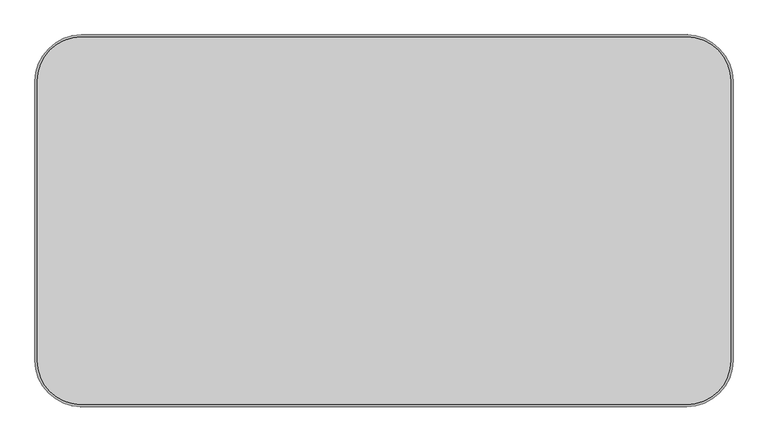
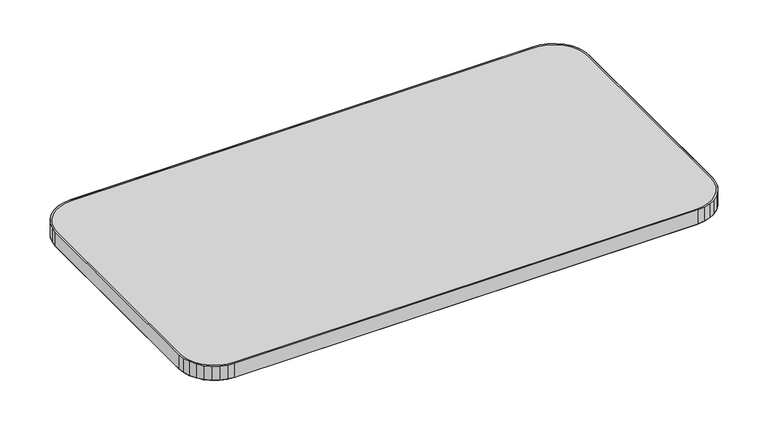
"""IFC4 building model written with IfcOpenShell, lengths in millimetres: furniture geometry."""

from ifc_helpers import new_model, si_unit, origin, place, context, project, spatial, triangles, source, transform, mapped, element, save


def furniture_d0a86501(model_context):
    return source(origin(), model_context, "Body", "Tessellation", [
        triangles([(88.899997, 0.0, 0.0), (1079.5000242, 0.0, 0.0), (1079.5000242, 0.0, -31.7499992), (88.899997, 0.0, -31.7499992), (12.7000004, -76.2, -31.7499992), (12.7000004, -533.4, -31.7499992), (12.7000004, -533.4, 0.0), (12.7000004, -76.2, 0.0), (1155.7000242, -533.4, 0.0), (1155.7000242, -76.2, 0.0), (1155.7000242, -76.2, -31.7499992), (1155.7000242, -533.4, -31.7499992), (15.8749996, -533.4, 0.0), (15.8749996, -76.2, 0.0), (1152.525, -533.4, 0.0), (1152.525, -76.2, 0.0), (1079.5000242, -3.1750001, 0.0), (88.899997, -3.1750001, 0.0), (15.8749996, -533.4, -31.7499992), (15.8749996, -76.2, -31.7499992), (1152.525, -533.4, -31.7499992), (1152.525, -76.2, -31.7499992), (1079.5000242, -3.1750001, -31.7499992), (88.899997, -3.1750001, -31.7499992), (14.164162, -61.3341196, 0.0), (17.2781548, -61.9535313, 0.0), (18.5003799, -47.0395207, 0.0), (21.4336981, -48.2545446, 0.0), (25.5420161, -33.8655473, 0.0), (28.1819326, -35.629484, 0.0), (35.0184634, -22.3184642, 0.0), (37.2635276, -24.5635284, 0.0), (46.5655489, -12.8420157, 0.0), (48.3294855, -15.4819311, 0.0), (59.7395222, -5.8003795, 0.0), (60.9545416, -8.7336971, 0.0), (74.0341166, -1.4641616, 0.0), (74.6535283, -4.578155, 0.0), (74.0341166, -1.4641616, -31.7499992), (74.6535283, -4.578155, -31.7499992), (59.7395222, -5.8003795, -31.7499992), (60.9545416, -8.7336971, -31.7499992), (46.5655489, -12.8420157, -31.7499992), (48.3294855, -15.4819311, -31.7499992), (35.0184634, -22.3184642, -31.7499992), (37.2635276, -24.5635284, -31.7499992), (25.5420161, -33.8655473, -31.7499992), (28.1819326, -35.629484, -31.7499992), (18.5003799, -47.0395207, -31.7499992), (21.4336981, -48.2545446, -31.7499992), (14.164162, -61.3341196, -31.7499992), (17.2781548, -61.9535313, -31.7499992), (1094.3659046, -1.4641616, 0.0), (1093.7464657, -4.578155, 0.0), (1108.6604536, -5.8003795, 0.0), (1107.4454842, -8.7336971, 0.0), (1121.8344315, -12.8420157, 0.0), (1120.070513, -15.4819311, 0.0), (1133.3815464, -22.3184642, 0.0), (1131.1364799, -24.5635284, 0.0), (1142.8580029, -33.8655473, 0.0), (1140.2180477, -35.629484, 0.0), (1149.8996515, -47.0395207, 0.0), (1146.9663277, -48.2545446, 0.0), (1154.2358694, -61.3341196, 0.0), (1151.1218153, -61.9535313, 0.0), (1154.2358694, -61.3341196, -31.7499992), (1151.1218153, -61.9535313, -31.7499992), (1149.8996515, -47.0395207, -31.7499992), (1146.9663277, -48.2545446, -31.7499992), (1142.8580029, -33.8655473, -31.7499992), (1140.2180477, -35.629484, -31.7499992), (1133.3815464, -22.3184642, -31.7499992), (1131.1364799, -24.5635284, -31.7499992), (1121.8344315, -12.8420157, -31.7499992), (1120.070513, -15.4819311, -31.7499992), (1108.6604536, -5.8003795, -31.7499992), (1107.4454842, -8.7336971, -31.7499992), (1094.3659046, -1.4641616, -31.7499992), (1093.7464657, -4.578155, -31.7499992), (1079.5000242, -609.6, 0.0), (88.899997, -609.6, 0.0), (88.899997, -609.6, -31.7499992), (1079.5000242, -609.6, -31.7499992), (88.899997, -606.4250121, 0.0), (1079.5000242, -606.4250121, 0.0), (88.899997, -606.4250121, -31.7499992), (1079.5000242, -606.4250121, -31.7499992), (1154.2358694, -548.2658804, 0.0), (1151.1218153, -547.6464778, 0.0), (1149.8996515, -562.5604657, 0.0), (1146.9663277, -561.3454599, 0.0), (1142.8580029, -575.7344436, 0.0), (1140.2180477, -573.9705251, 0.0), (1133.3815464, -587.2815222, 0.0), (1131.1364799, -585.0364557, 0.0), (1121.8344315, -596.7579786, 0.0), (1120.070513, -594.1180598, 0.0), (1108.6604536, -603.7996273, 0.0), (1107.4454842, -600.8663034, 0.0), (1094.3659046, -608.1358452, 0.0), (1093.7464657, -605.0218274, 0.0), (1094.3659046, -608.1358452, -31.7499992), (1093.7464657, -605.0218274, -31.7499992), (1108.6604536, -603.7996273, -31.7499992), (1107.4454842, -600.8663034, -31.7499992), (1121.8344315, -596.7579786, -31.7499992), (1120.070513, -594.1180598, -31.7499992), (1133.3815464, -587.2815222, -31.7499992), (1131.1364799, -585.0364557, -31.7499992), (1142.8580029, -575.7344436, -31.7499992), (1140.2180477, -573.9705251, -31.7499992), (1149.8996515, -562.5604657, -31.7499992), (1146.9663277, -561.3454599, -31.7499992), (1154.2358694, -548.2658804, -31.7499992), (1151.1218153, -547.6464778, -31.7499992), (74.0341166, -608.1358452, 0.0), (74.6535283, -605.0218274, 0.0), (59.7395222, -603.7996273, 0.0), (60.9545416, -600.8663034, 0.0), (46.5655489, -596.7579786, 0.0), (48.3294855, -594.1180598, 0.0), (35.0184634, -587.2815222, 0.0), (37.2635276, -585.0364557, 0.0), (25.5420161, -575.7344436, 0.0), (28.1819326, -573.9705251, 0.0), (18.5003799, -562.5604657, 0.0), (21.4336981, -561.3454599, 0.0), (14.164162, -548.2658804, 0.0), (17.2781548, -547.6464778, 0.0), (14.164162, -548.2658804, -31.7499992), (17.2781548, -547.6464778, -31.7499992), (18.5003799, -562.5604657, -31.7499992), (21.4336981, -561.3454599, -31.7499992), (25.5420161, -575.7344436, -31.7499992), (28.1819326, -573.9705251, -31.7499992), (35.0184634, -587.2815222, -31.7499992), (37.2635276, -585.0364557, -31.7499992), (46.5655489, -596.7579786, -31.7499992), (48.3294855, -594.1180598, -31.7499992), (59.7395222, -603.7996273, -31.7499992), (60.9545416, -600.8663034, -31.7499992), (74.0341166, -608.1358452, -31.7499992), (74.6535283, -605.0218274, -31.7499992)], [[1, 2, 3], [1, 3, 4], [5, 6, 7], [5, 7, 8], [9, 10, 11], [9, 11, 12], [13, 14, 8], [13, 8, 7], [15, 9, 10], [15, 10, 16], [17, 2, 1], [17, 1, 18], [19, 20, 5], [19, 5, 6], [21, 12, 11], [21, 11, 22], [23, 3, 4], [23, 4, 24], [25, 8, 14], [25, 14, 26], [27, 25, 26], [27, 26, 28], [29, 27, 28], [29, 28, 30], [31, 29, 30], [31, 30, 32], [33, 31, 32], [33, 32, 34], [35, 33, 34], [35, 34, 36], [37, 35, 36], [37, 36, 38], [1, 37, 18], [37, 38, 18], [39, 4, 24], [39, 24, 40], [41, 39, 40], [41, 40, 42], [43, 41, 42], [43, 42, 44], [45, 43, 44], [45, 44, 46], [47, 45, 46], [47, 46, 48], [49, 47, 48], [49, 48, 50], [51, 49, 50], [51, 50, 52], [5, 51, 52], [5, 52, 20], [53, 2, 17], [53, 17, 54], [55, 53, 54], [55, 54, 56], [57, 55, 56], [57, 56, 58], [59, 57, 58], [59, 58, 60], [61, 59, 60], [61, 60, 62], [63, 61, 62], [63, 62, 64], [65, 63, 64], [65, 64, 66], [10, 65, 66], [10, 66, 16], [67, 11, 68], [11, 22, 68], [69, 67, 70], [67, 68, 70], [71, 69, 72], [69, 70, 72], [73, 71, 74], [71, 72, 74], [75, 73, 76], [73, 74, 76], [77, 75, 78], [75, 76, 78], [79, 77, 80], [77, 78, 80], [3, 79, 80], [3, 80, 23], [4, 39, 37], [4, 37, 1], [39, 41, 35], [39, 35, 37], [41, 43, 33], [41, 33, 35], [43, 45, 31], [43, 31, 33], [45, 47, 29], [45, 29, 31], [47, 49, 29], [49, 27, 29], [49, 51, 25], [49, 25, 27], [51, 5, 8], [51, 8, 25], [11, 67, 65], [11, 65, 10], [67, 69, 63], [67, 63, 65], [69, 71, 61], [69, 61, 63], [71, 73, 59], [71, 59, 61], [73, 75, 57], [73, 57, 59], [75, 77, 55], [75, 55, 57], [77, 79, 53], [77, 53, 55], [79, 3, 2], [79, 2, 53], [81, 82, 83], [81, 83, 84], [85, 82, 81], [85, 81, 86], [87, 83, 84], [87, 84, 88], [89, 9, 15], [89, 15, 90], [91, 89, 90], [91, 90, 92], [93, 91, 92], [93, 92, 94], [95, 93, 96], [93, 94, 96], [97, 95, 98], [95, 96, 98], [99, 97, 100], [97, 98, 100], [101, 99, 102], [99, 100, 102], [81, 101, 86], [101, 102, 86], [103, 84, 88], [103, 88, 104], [105, 103, 104], [105, 104, 106], [107, 105, 106], [107, 106, 108], [109, 107, 108], [109, 108, 110], [111, 109, 110], [111, 110, 112], [113, 111, 112], [113, 112, 114], [115, 113, 116], [113, 114, 116], [12, 115, 21], [115, 116, 21], [117, 82, 118], [82, 85, 118], [119, 117, 120], [117, 118, 120], [121, 119, 122], [119, 120, 122], [123, 121, 124], [121, 122, 124], [125, 123, 126], [123, 124, 126], [127, 125, 128], [125, 126, 128], [129, 127, 130], [127, 128, 130], [7, 129, 130], [7, 130, 13], [131, 6, 19], [131, 19, 132], [133, 131, 132], [133, 132, 134], [135, 133, 134], [135, 134, 136], [137, 135, 136], [137, 136, 138], [139, 137, 138], [139, 138, 140], [141, 139, 140], [141, 140, 142], [143, 141, 142], [143, 142, 144], [83, 143, 144], [83, 144, 87], [84, 103, 101], [84, 101, 81], [103, 105, 99], [103, 99, 101], [105, 107, 97], [105, 97, 99], [107, 109, 95], [107, 95, 97], [109, 111, 93], [109, 93, 95], [111, 113, 91], [111, 91, 93], [113, 115, 89], [113, 89, 91], [115, 12, 9], [115, 9, 89], [6, 131, 129], [6, 129, 7], [131, 133, 127], [131, 127, 129], [133, 135, 125], [133, 125, 127], [135, 137, 123], [135, 123, 125], [137, 139, 121], [137, 121, 123], [139, 141, 119], [139, 119, 121], [141, 143, 117], [141, 117, 119], [143, 83, 82], [143, 82, 117]], closed=False),
        triangles([(15.8749996, -533.4, 0.0), (1152.525, -533.4, 0.0), (1152.525, -76.2, 0.0), (15.8749996, -76.2, 0.0), (15.8749996, -533.4, -31.7499992), (1152.525, -533.4, -31.7499992), (1152.525, -76.2, -31.7499992), (15.8749996, -76.2, -31.7499992), (17.2781548, -61.9535313, 0.0), (1151.1218153, -61.9535313, 0.0), (21.4336981, -48.2545446, 0.0), (1146.9663277, -48.2545446, 0.0), (28.1819326, -35.629484, 0.0), (1140.2180477, -35.629484, 0.0), (37.2635276, -24.5635284, 0.0), (1131.1364799, -24.5635284, 0.0), (48.3294855, -15.4819311, 0.0), (1120.070513, -15.4819311, 0.0), (60.9545416, -8.7336971, 0.0), (1107.4454842, -8.7336971, 0.0), (74.6535283, -4.578155, 0.0), (1093.7464657, -4.578155, 0.0), (88.899997, -3.1750001, 0.0), (1079.5000242, -3.1750001, 0.0), (1151.1218153, -61.9535313, -31.7499992), (17.2781548, -61.9535313, -31.7499992), (1146.9663277, -48.2545446, -31.7499992), (21.4336981, -48.2545446, -31.7499992), (1140.2180477, -35.629484, -31.7499992), (28.1819326, -35.629484, -31.7499992), (1131.1364799, -24.5635284, -31.7499992), (37.2635276, -24.5635284, -31.7499992), (1120.070513, -15.4819311, -31.7499992), (48.3294855, -15.4819311, -31.7499992), (1107.4454842, -8.7336971, -31.7499992), (60.9545416, -8.7336971, -31.7499992), (1093.7464657, -4.578155, -31.7499992), (74.6535283, -4.578155, -31.7499992), (1079.5000242, -3.1750001, -31.7499992), (88.899997, -3.1750001, -31.7499992), (1151.1218153, -547.6464778, 0.0), (17.2781548, -547.6464778, 0.0), (1146.9663277, -561.3454599, 0.0), (21.4336981, -561.3454599, 0.0), (1140.2180477, -573.9705251, 0.0), (28.1819326, -573.9705251, 0.0), (1131.1364799, -585.0364557, 0.0), (37.2635276, -585.0364557, 0.0), (1120.070513, -594.1180598, 0.0), (48.3294855, -594.1180598, 0.0), (1107.4454842, -600.8663034, 0.0), (60.9545416, -600.8663034, 0.0), (1093.7464657, -605.0218274, 0.0), (74.6535283, -605.0218274, 0.0), (1079.5000242, -606.4250121, 0.0), (88.899997, -606.4250121, 0.0), (17.2781548, -547.6464778, -31.7499992), (1151.1218153, -547.6464778, -31.7499992), (21.4336981, -561.3454599, -31.7499992), (1146.9663277, -561.3454599, -31.7499992), (28.1819326, -573.9705251, -31.7499992), (1140.2180477, -573.9705251, -31.7499992), (37.2635276, -585.0364557, -31.7499992), (1131.1364799, -585.0364557, -31.7499992), (48.3294855, -594.1180598, -31.7499992), (1120.070513, -594.1180598, -31.7499992), (60.9545416, -600.8663034, -31.7499992), (1107.4454842, -600.8663034, -31.7499992), (74.6535283, -605.0218274, -31.7499992), (1093.7464657, -605.0218274, -31.7499992), (88.899997, -606.4250121, -31.7499992), (1079.5000242, -606.4250121, -31.7499992)], [[1, 2, 3], [1, 3, 4], [5, 6, 7], [5, 7, 8], [9, 4, 3], [9, 3, 10], [11, 9, 10], [11, 10, 12], [13, 11, 12], [13, 12, 14], [15, 13, 14], [15, 14, 16], [17, 15, 16], [17, 16, 18], [19, 17, 18], [19, 18, 20], [21, 19, 20], [21, 20, 22], [23, 21, 22], [23, 22, 24], [25, 7, 8], [25, 8, 26], [27, 25, 26], [27, 26, 28], [29, 27, 28], [29, 28, 30], [31, 29, 30], [31, 30, 32], [33, 31, 34], [31, 32, 34], [35, 33, 36], [33, 34, 36], [37, 35, 38], [35, 36, 38], [39, 37, 38], [39, 38, 40], [41, 2, 1], [41, 1, 42], [43, 41, 42], [43, 42, 44], [45, 43, 44], [45, 44, 46], [47, 45, 46], [47, 46, 48], [49, 47, 48], [49, 48, 50], [51, 49, 50], [51, 50, 52], [53, 51, 52], [53, 52, 54], [55, 53, 56], [53, 54, 56], [57, 5, 6], [57, 6, 58], [59, 57, 58], [59, 58, 60], [61, 59, 60], [61, 60, 62], [63, 61, 62], [63, 62, 64], [65, 63, 64], [65, 64, 66], [67, 65, 68], [65, 66, 68], [69, 67, 70], [67, 68, 70], [71, 69, 72], [69, 70, 72]], closed=False),
    ])


if __name__ == "__main__":
    model = new_model("IFC4")
    model_context = context("Model", 3, world=origin())
    ifc_project = project(units=[si_unit("LENGTHUNIT", "METRE", prefix="MILLI")], contexts=[model_context])
    site = spatial("IfcSite", under=ifc_project)
    building = spatial("IfcBuilding", under=site)
    placement = place(None, origin())
    furniture_shape = furniture_d0a86501(model_context)
    element("IfcFurniture", 1, at=placement, inside=building, context=model_context, shape_type="MappedRepresentation", body=[
        mapped(furniture_shape, transform((0.0, 0.0, 0.0), x_axis=(1.0, 0.0, 0.0), y_axis=(0.0, 1.0, 0.0), z_axis=(0.0, 0.0, 1.0))),
    ])
    save(model, "model.ifc")
